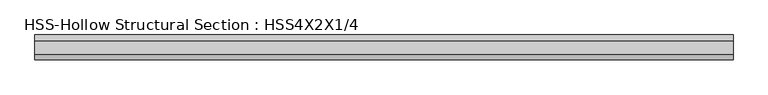
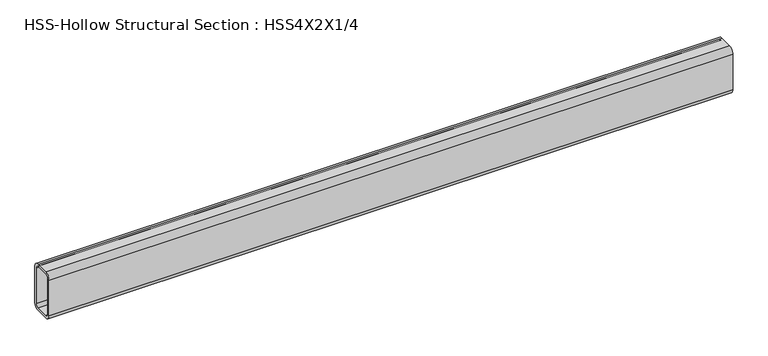
"""IFC4 building model written with IfcOpenShell, lengths in millimetres: beam geometry, HSS-Hollow Structural Section : HSS4X2X1/4."""

from ifc_helpers import new_model, si_unit, point, frame, frame_2d, origin, place, context, project, spatial, polyline, circle_curve, trimmed, segment, composite_curve, outline, extrude, source, transform, mapped, element, save


def hss_hollow_structural_section_hss4x2x1_4_ef4066c2(model_context):
    return source(origin(), model_context, "Body", "SweptSolid", [
        extrude(outline(composite_curve([segment(polyline([(25.4, 38.9636), (25.4, -38.9636)]), True, "CONTINUOUS"), segment(trimmed(circle_curve(frame_2d((13.5636, -38.9636)), 11.8364), [point((25.4, -38.9636))], [point((13.5636, -50.8))], False, "CARTESIAN"), True, "CONTINUOUS"), segment(polyline([(13.5636, -50.8), (-13.5636, -50.8)]), True, "CONTINUOUS"), segment(trimmed(circle_curve(frame_2d((-13.5636, -38.9636)), 11.8364), [point((-13.5636, -50.8))], [point((-25.4, -38.9636))], False, "CARTESIAN"), True, "CONTINUOUS"), segment(polyline([(-25.4, -38.9636), (-25.4, 38.9636)]), True, "CONTINUOUS"), segment(trimmed(circle_curve(frame_2d((-13.5636, 38.9636)), 11.8364), [point((-25.4, 38.9636))], [point((-13.5636, 50.8))], False, "CARTESIAN"), True, "CONTINUOUS"), segment(polyline([(-13.5636, 50.8), (13.5636, 50.8)]), True, "CONTINUOUS"), segment(trimmed(circle_curve(frame_2d((13.5636, 38.9636)), 11.8364), [point((13.5636, 50.8))], [point((25.4, 38.9636))], False, "CARTESIAN"), True, "CONTINUOUS")], self_intersect=False), holes=[composite_curve([segment(trimmed(circle_curve(frame_2d((-13.5636, 38.9636)), 5.9182), [point((-13.5636, 44.8818))], [point((-19.4818, 38.9636))], True, "CARTESIAN"), True, "CONTINUOUS"), segment(polyline([(-19.4818, 38.9636), (-19.4818, -38.9636)]), True, "CONTINUOUS"), segment(trimmed(circle_curve(frame_2d((-13.5636, -38.9636)), 5.9182), [point((-19.4818, -38.9636))], [point((-13.5636, -44.8818))], True, "CARTESIAN"), True, "CONTINUOUS"), segment(polyline([(-13.5636, -44.8818), (13.5636, -44.8818)]), True, "CONTINUOUS"), segment(trimmed(circle_curve(frame_2d((13.5636, -38.9636)), 5.9182), [point((13.5636, -44.8818))], [point((19.4818, -38.9636))], True, "CARTESIAN"), True, "CONTINUOUS"), segment(polyline([(19.4818, -38.9636), (19.4818, 38.9636)]), True, "CONTINUOUS"), segment(trimmed(circle_curve(frame_2d((13.5636, 38.9636)), 5.9182), [point((19.4818, 38.9636))], [point((13.5636, 44.8818))], True, "CARTESIAN"), True, "CONTINUOUS"), segment(polyline([(13.5636, 44.8818), (-13.5636, 44.8818)]), True, "CONTINUOUS")], self_intersect=False)]), frame((-712.343, 0.0, 0.0), z_axis=(1.0, 0.0, 0.0), x_axis=(0.0, 1.0, 0.0)), (0.0, 0.0, 1.0), 1424.686),
    ])


if __name__ == "__main__":
    model = new_model("IFC4")
    model_context = context("Model", 3, world=origin())
    ifc_project = project(units=[si_unit("LENGTHUNIT", "METRE", prefix="MILLI")], contexts=[model_context])
    site = spatial("IfcSite", under=ifc_project)
    building = spatial("IfcBuilding", under=site)
    placement = place(None, origin())
    hss_hollow_structural_section_hss4x2x1_4_shape = hss_hollow_structural_section_hss4x2x1_4_ef4066c2(model_context)
    element("IfcBeam", 1, ObjectType="HSS-Hollow Structural Section : HSS4X2X1/4", at=placement, inside=building, context=model_context, shape_type="MappedRepresentation", body=[
        mapped(hss_hollow_structural_section_hss4x2x1_4_shape, transform((0.0, 0.0, 0.0), x_axis=(1.0, 0.0, 0.0), y_axis=(0.0, 1.0, 0.0), z_axis=(0.0, 0.0, 1.0))),
    ])
    save(model, "model.ifc")
